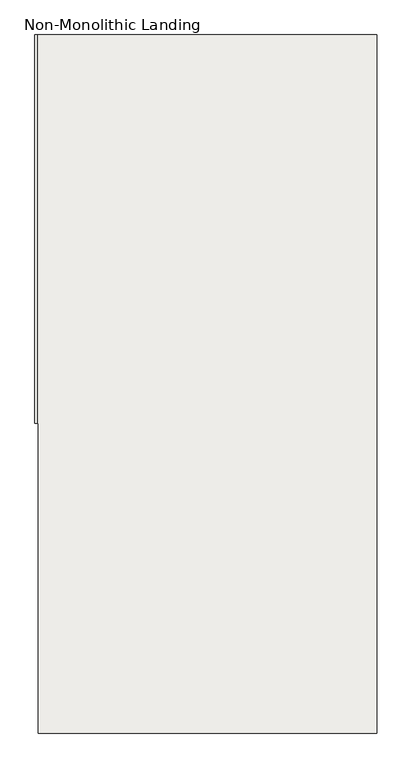
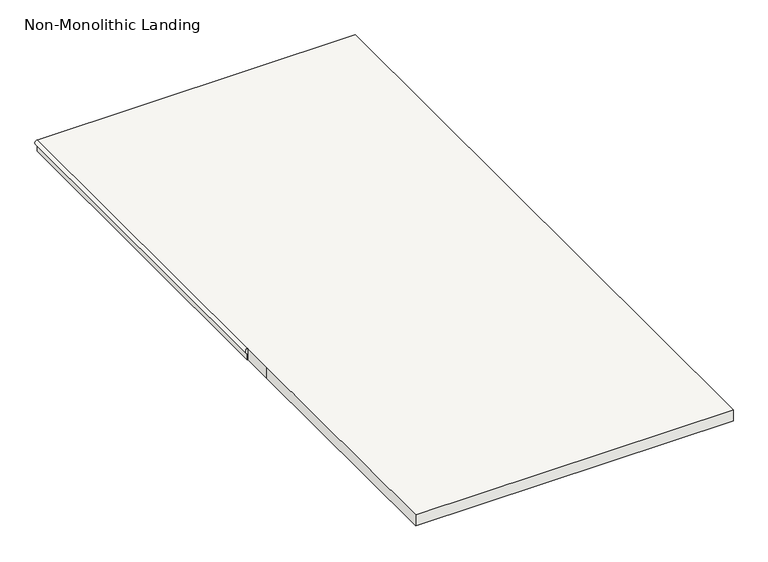
"""IFC4 building model written with IfcOpenShell, lengths in millimetres: slab geometry, Non-Monolithic Landing."""

from ifc_helpers import new_model, si_unit, frame, origin, place, context, project, spatial, circle_curve, source, transform, mapped, element, save
from ifc_brep_helpers import plane_surface, cylinder_surface, advanced_brep


def non_monolithic_landing_c1576cd6(model_context):
    return source(origin(), model_context, "Body", "AdvancedBrep", [
        advanced_brep(
        [(-21210.801725, 15688.0068866, 12230.0), (-21210.801725, 15688.0068866, 12250.0), (-21210.801725, 17246.6753701, 12250.0), (-21210.801725, 17246.6753701, 12230.0), (-21208.301725, 15688.0068866, 12250.0), (-21208.301725, 15551.3039623, 12250.0), (-21208.301725, 14444.1888058, 12250.0), (-19848.301725, 14444.1888058, 12250.0), (-19848.301725, 17246.6753701, 12250.0), (-21210.801725, 15688.0068866, 12200.0), (-21210.801725, 17246.6753701, 12200.0), (-19848.301725, 17246.6753701, 12200.0), (-19848.301725, 14444.1888058, 12200.0), (-21208.301725, 14444.1888058, 12200.0), (-21208.301725, 15551.3039623, 12200.0), (-21208.301725, 15688.0068866, 12200.0)],
        [
            (0, 1, circle_curve(frame((-21210.801725, 15688.0068866, 12240.0), z_axis=(0.0, 1.0, 0.0), x_axis=(1.0, 0.0, 0.0)), 10.0)),
            (1, 2),
            (2, 3, circle_curve(frame((-21210.801725, 17246.6753701, 12240.0), z_axis=(0.0, -1.0, 0.0), x_axis=(1.0, 0.0, 0.0)), 10.0)),
            (3, 0),
            (1, 4),
            (4, 5),
            (5, 6),
            (6, 7),
            (7, 8),
            (8, 2),
            (9, 10),
            (10, 11),
            (11, 12),
            (12, 13),
            (13, 14),
            (14, 15),
            (15, 9),
            (9, 0),
            (3, 10),
            (15, 4),
            (14, 5),
            (13, 6),
            (12, 7),
            (11, 8),
        ],
        [
            cylinder_surface(frame((-21210.801725, 15688.0068866, 12240.0), z_axis=(0.0, -1.0, 0.0), x_axis=(1.0, 0.0, 0.0)), 10.0),
            plane_surface(frame((-21210.801725, 17246.6753701, 12250.0), z_axis=(0.0, 0.0, 1.0), x_axis=(0.0, -1.0, 0.0))),
            plane_surface(frame((-21210.801725, 17246.6753701, 12200.0), z_axis=(0.0, 0.0, -1.0), x_axis=(0.0, 1.0, 0.0))),
            plane_surface(frame((-21210.801725, 17246.6753701, 12250.0), z_axis=(-1.0, 0.0, 0.0), x_axis=(0.0, 0.0, -1.0))),
            plane_surface(frame((-21210.801725, 15688.0068866, 12250.0), z_axis=(0.0, -1.0, 0.0), x_axis=(0.0, 0.0, -1.0))),
            plane_surface(frame((-21208.301725, 15688.0068866, 12250.0), z_axis=(-1.0, 0.0, 0.0), x_axis=(0.0, 0.0, -1.0))),
            plane_surface(frame((-21208.301725, 15551.3039623, 12250.0), z_axis=(-1.0, 0.0, 0.0), x_axis=(0.0, 0.0, -1.0))),
            plane_surface(frame((-21208.301725, 14444.1888058, 12250.0), z_axis=(0.0, -1.0, 0.0), x_axis=(0.0, 0.0, -1.0))),
            plane_surface(frame((-19848.301725, 14444.1888058, 12250.0), z_axis=(1.0, 0.0, 0.0), x_axis=(0.0, 0.0, -1.0))),
            plane_surface(frame((-19848.301725, 17246.6753701, 12250.0), z_axis=(0.0, 1.0, 0.0), x_axis=(0.0, 0.0, -1.0))),
        ],
        [
            (0, [[1, 2, 3, 4]]),
            (1, [[5, 6, 7, 8, 9, 10, -2]]),
            (2, [[11, 12, 13, 14, 15, 16, 17]]),
            (3, [[-11, 18, -4, 19]]),
            (4, [[-5, -1, -18, -17, 20]]),
            (5, [[-6, -20, -16, 21]]),
            (6, [[-7, -21, -15, 22]]),
            (7, [[-8, -22, -14, 23]]),
            (8, [[-9, -23, -13, 24]]),
            (9, [[-10, -24, -12, -19, -3]]),
        ],
    ),
    ])


if __name__ == "__main__":
    model = new_model("IFC4")
    model_context = context("Model", 3, world=origin())
    ifc_project = project(units=[si_unit("LENGTHUNIT", "METRE", prefix="MILLI")], contexts=[model_context])
    site = spatial("IfcSite", under=ifc_project)
    building = spatial("IfcBuilding", under=site)
    placement = place(None, origin())
    non_monolithic_landing_shape = non_monolithic_landing_c1576cd6(model_context)
    element("IfcSlab", 1, ObjectType="Non-Monolithic Landing", at=placement, inside=building, context=model_context, shape_type="MappedRepresentation", body=[
        mapped(non_monolithic_landing_shape, transform((0.0, 0.0, 0.0), x_axis=(1.0, 0.0, 0.0), y_axis=(0.0, 1.0, 0.0), z_axis=(0.0, 0.0, 1.0))),
    ])
    save(model, "model.ifc")
